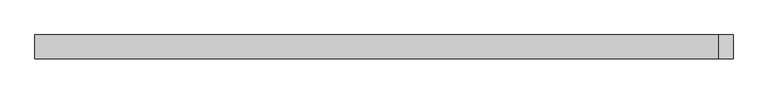
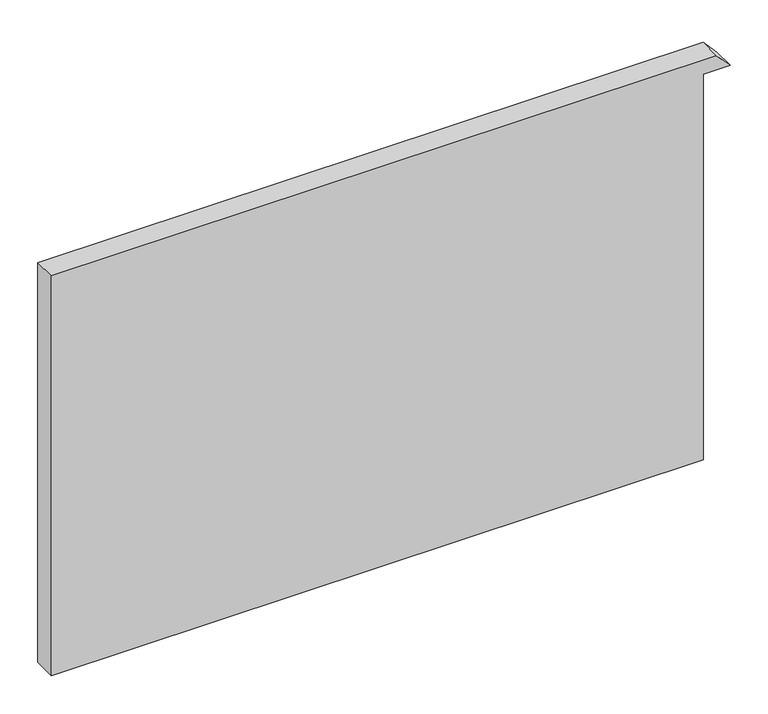
"""IFC4 building model written with IfcOpenShell, lengths in millimetres: plate geometry."""

from ifc_helpers import new_model, si_unit, point, frame, frame_2d, origin, place, context, project, spatial, polyline, circle_curve, trimmed, segment, composite_curve, outline, extrude, source, transform, mapped, element, save


def plate_5775a1a3(model_context):
    return source(origin(), model_context, "Body", "SweptSolid", [
        extrude(outline(composite_curve([segment(polyline([(0.0, -516.90625), (0.0, 475.71875), (620.4623803, 475.71875), (620.4623803, 516.90625)]), True, "CONTINUOUS"), segment(trimmed(circle_curve(frame_2d((-766.620254, -1038.09375)), 2083.7522008), [point((620.4623803, 516.90625))], [point((643.5659171, 495.985191))], False, "CARTESIAN"), True, "CONTINUOUS"), segment(polyline([(643.5659171, 495.985191), (643.5659171, -516.90625), (0.0, -516.90625)]), True, "CONTINUOUS")], self_intersect=False)), frame((0.0, -17.5, 0.0), z_axis=(0.0, 1.0, 0.0), x_axis=(0.0, 0.0, 1.0)), (0.0, 0.0, 1.0), 35.0),
    ])


if __name__ == "__main__":
    model = new_model("IFC4")
    model_context = context("Model", 3, world=origin())
    ifc_project = project(units=[si_unit("LENGTHUNIT", "METRE", prefix="MILLI")], contexts=[model_context])
    site = spatial("IfcSite", under=ifc_project)
    building = spatial("IfcBuilding", under=site)
    placement = place(None, origin())
    plate_shape = plate_5775a1a3(model_context)
    element("IfcPlate", 1, at=placement, inside=building, context=model_context, shape_type="MappedRepresentation", body=[
        mapped(plate_shape, transform((0.0, 0.0, 0.0), x_axis=(1.0, 0.0, 0.0), y_axis=(0.0, 1.0, 0.0), z_axis=(0.0, 0.0, 1.0))),
    ])
    save(model, "model.ifc")
